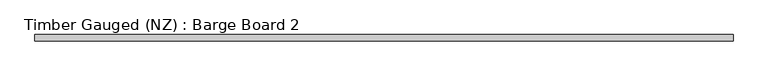
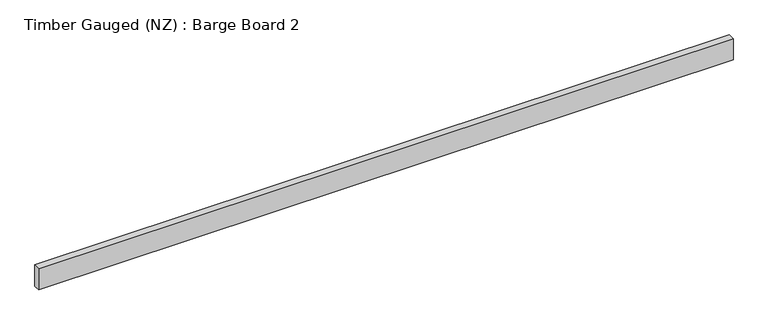
"""IFC4 building model written with IfcOpenShell, lengths in millimetres: beam geometry, Timber Gauged (NZ) : Barge Board 2."""

from ifc_helpers import new_model, si_unit, frame, origin, place, context, project, spatial, polyline, outline, extrude, source, transform, mapped, element, save


def timber_gauged_nz_barge_board_2_fee50105(model_context):
    return source(origin(), model_context, "Body", "SweptSolid", [
        extrude(outline(polyline([(1087.5, 10.0), (1087.5, -10.0), (-1087.5, -10.0), (-1087.5, 10.0), (1087.5, 10.0)])), frame((0.0, 0.0, -35.0), z_axis=(0.0, 0.0, 1.0), x_axis=(1.0, 0.0, 0.0)), (0.0, 0.0, 1.0), 70.0),
    ])


if __name__ == "__main__":
    model = new_model("IFC4")
    model_context = context("Model", 3, world=origin())
    ifc_project = project(units=[si_unit("LENGTHUNIT", "METRE", prefix="MILLI")], contexts=[model_context])
    site = spatial("IfcSite", under=ifc_project)
    building = spatial("IfcBuilding", under=site)
    placement = place(None, origin())
    timber_gauged_nz_barge_board_2_shape = timber_gauged_nz_barge_board_2_fee50105(model_context)
    element("IfcBeam", 1, ObjectType="Timber Gauged (NZ) : Barge Board 2", at=placement, inside=building, context=model_context, shape_type="MappedRepresentation", body=[
        mapped(timber_gauged_nz_barge_board_2_shape, transform((0.0, 0.0, 0.0), x_axis=(1.0, 0.0, 0.0), y_axis=(0.0, 1.0, 0.0), z_axis=(0.0, 0.0, 1.0))),
    ])
    save(model, "model.ifc")
